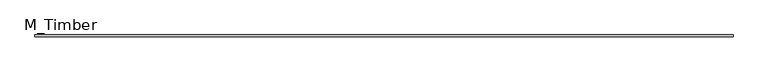
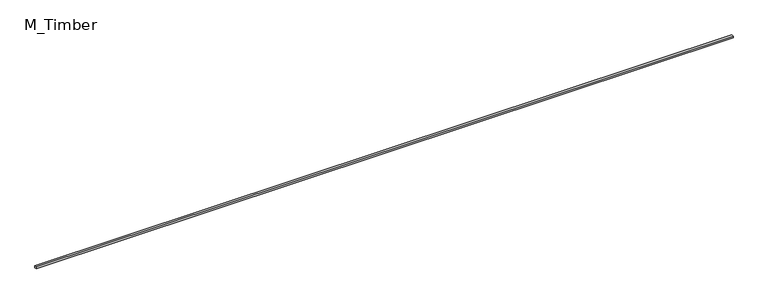
"""IFC4 building model written with IfcOpenShell, lengths in millimetres: beam geometry, M_Timber."""

from ifc_helpers import new_model, si_unit, frame, origin, place, context, project, spatial, polyline, outline, extrude, source, transform, mapped, element, save


def m_timber_eb84202a(model_context):
    return source(origin(), model_context, "Body", "SweptSolid", [
        extrude(outline(polyline([(7148.2039542, 20.0), (7148.2039542, -20.0), (-7148.2039542, -20.0), (-7148.2039542, 20.0), (7148.2039542, 20.0)])), frame((0.0, 0.0, -20.0), z_axis=(0.0, 0.0, 1.0), x_axis=(1.0, 0.0, 0.0)), (0.0, 0.0, 1.0), 40.0),
    ])


if __name__ == "__main__":
    model = new_model("IFC4")
    model_context = context("Model", 3, world=origin())
    ifc_project = project(units=[si_unit("LENGTHUNIT", "METRE", prefix="MILLI")], contexts=[model_context])
    site = spatial("IfcSite", under=ifc_project)
    building = spatial("IfcBuilding", under=site)
    placement = place(None, origin())
    m_timber_shape = m_timber_eb84202a(model_context)
    element("IfcBeam", 1, ObjectType="M_Timber", at=placement, inside=building, context=model_context, shape_type="MappedRepresentation", body=[
        mapped(m_timber_shape, transform((0.0, 0.0, 0.0), x_axis=(1.0, 0.0, 0.0), y_axis=(0.0, 1.0, 0.0), z_axis=(0.0, 0.0, 1.0))),
    ])
    save(model, "model.ifc")
